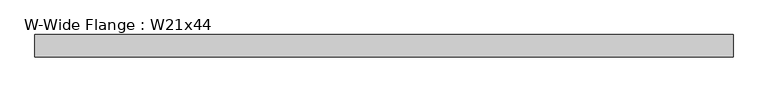
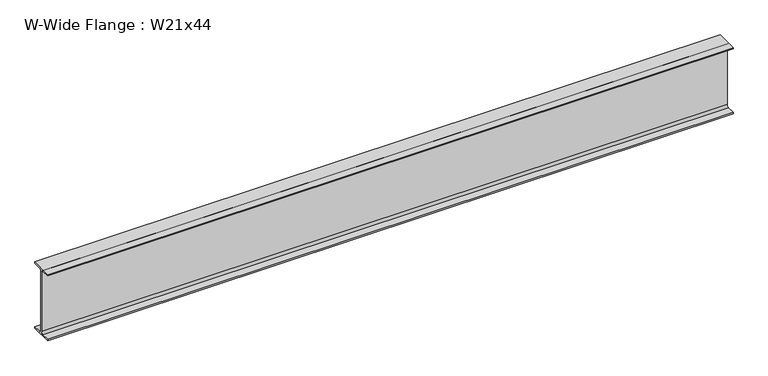
"""IFC4 building model written with IfcOpenShell, lengths in millimetres: beam geometry, W-Wide Flange : W21x44."""

from ifc_helpers import new_model, si_unit, point, frame, frame_2d, origin, place, context, project, spatial, polyline, circle_curve, trimmed, segment, composite_curve, outline, extrude, source, transform, mapped, element, save


def w_wide_flange_w21x44_b02ed888(model_context):
    return source(origin(), model_context, "Body", "SweptSolid", [
        extrude(outline(composite_curve([segment(polyline([(82.55, -251.46), (82.55, -262.89), (-82.55, -262.89), (-82.55, -251.46), (-21.59, -251.46)]), True, "CONTINUOUS"), segment(trimmed(circle_curve(frame_2d((-21.59, -234.315)), 17.145), [point((-21.59, -251.46))], [point((-4.445, -234.315))], True, "CARTESIAN"), True, "CONTINUOUS"), segment(polyline([(-4.445, -234.315), (-4.445, 234.315)]), True, "CONTINUOUS"), segment(trimmed(circle_curve(frame_2d((-21.59, 234.315)), 17.145), [point((-4.445, 234.315))], [point((-21.59, 251.46))], True, "CARTESIAN"), True, "CONTINUOUS"), segment(polyline([(-21.59, 251.46), (-82.55, 251.46), (-82.55, 262.89), (82.55, 262.89), (82.55, 251.46), (21.59, 251.46)]), True, "CONTINUOUS"), segment(trimmed(circle_curve(frame_2d((21.59, 234.315)), 17.145), [point((21.59, 251.46))], [point((4.445, 234.315))], True, "CARTESIAN"), True, "CONTINUOUS"), segment(polyline([(4.445, 234.315), (4.445, -234.315)]), True, "CONTINUOUS"), segment(trimmed(circle_curve(frame_2d((21.59, -234.315)), 17.145), [point((4.445, -234.315))], [point((21.59, -251.46))], True, "CARTESIAN"), True, "CONTINUOUS"), segment(polyline([(21.59, -251.46), (82.55, -251.46)]), True, "CONTINUOUS")], self_intersect=False)), frame((-2576.83, 0.0, 0.0), z_axis=(1.0, 0.0, 0.0), x_axis=(0.0, 1.0, 0.0)), (0.0, 0.0, 1.0), 5143.5),
    ])


if __name__ == "__main__":
    model = new_model("IFC4")
    model_context = context("Model", 3, world=origin())
    ifc_project = project(units=[si_unit("LENGTHUNIT", "METRE", prefix="MILLI")], contexts=[model_context])
    site = spatial("IfcSite", under=ifc_project)
    building = spatial("IfcBuilding", under=site)
    placement = place(None, origin())
    w_wide_flange_w21x44_shape = w_wide_flange_w21x44_b02ed888(model_context)
    element("IfcBeam", 1, ObjectType="W-Wide Flange : W21x44", at=placement, inside=building, context=model_context, shape_type="MappedRepresentation", body=[
        mapped(w_wide_flange_w21x44_shape, transform((0.0, 0.0, 0.0), x_axis=(1.0, 0.0, 0.0), y_axis=(0.0, 1.0, 0.0), z_axis=(0.0, 0.0, 1.0))),
    ])
    save(model, "model.ifc")
